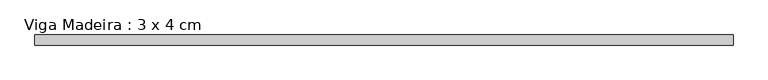
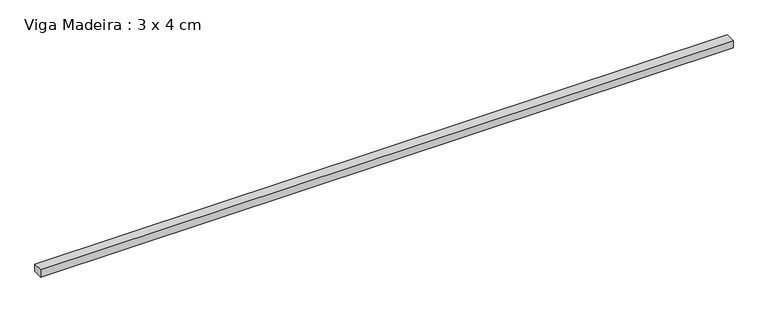
"""IFC4 building model written with IfcOpenShell, lengths in millimetres: beam geometry, Viga Madeira : 3 x 4 cm."""

from ifc_helpers import new_model, si_unit, frame, origin, place, context, project, spatial, polyline, outline, extrude, source, transform, mapped, element, save


def viga_madeira_3_x_4_cm_114bfea7(model_context):
    return source(origin(), model_context, "Body", "SweptSolid", [
        extrude(outline(polyline([(1382.4839128, 20.0), (1382.4839128, -20.0), (-1382.4839128, -20.0), (-1382.4839128, 20.0), (1382.4839128, 20.0)])), frame((0.0, 0.0, -15.0), z_axis=(0.0, 0.0, 1.0), x_axis=(1.0, 0.0, 0.0)), (0.0, 0.0, 1.0), 30.0),
    ])


if __name__ == "__main__":
    model = new_model("IFC4")
    model_context = context("Model", 3, world=origin())
    ifc_project = project(units=[si_unit("LENGTHUNIT", "METRE", prefix="MILLI")], contexts=[model_context])
    site = spatial("IfcSite", under=ifc_project)
    building = spatial("IfcBuilding", under=site)
    placement = place(None, origin())
    viga_madeira_3_x_4_cm_shape = viga_madeira_3_x_4_cm_114bfea7(model_context)
    element("IfcBeam", 1, ObjectType="Viga Madeira : 3 x 4 cm", at=placement, inside=building, context=model_context, shape_type="MappedRepresentation", body=[
        mapped(viga_madeira_3_x_4_cm_shape, transform((0.0, 0.0, 0.0), x_axis=(1.0, 0.0, 0.0), y_axis=(0.0, 1.0, 0.0), z_axis=(0.0, 0.0, 1.0))),
    ])
    save(model, "model.ifc")
